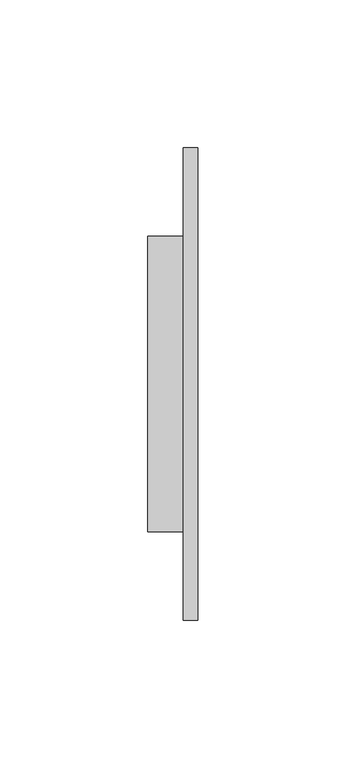
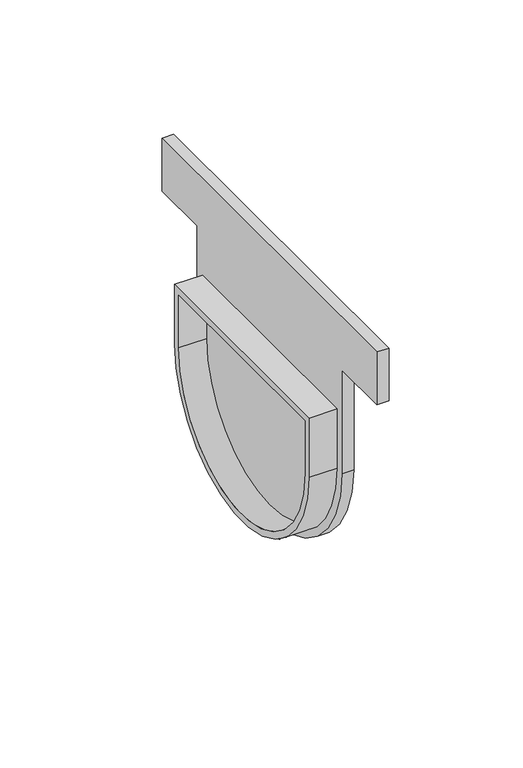
"""IFC4 building model written with IfcOpenShell, lengths in millimetres: proxy geometry."""

from ifc_helpers import new_model, si_unit, point, frame, frame_2d, origin, place, context, project, spatial, polyline, circle_curve, trimmed, segment, composite_curve, outline, extrude, source, transform, mapped, element, save


def generic_models_8998b26a(model_context):
    return source(origin(), model_context, "Body", "SweptSolid", [
        extrude(outline(composite_curve([segment(trimmed(circle_curve(frame_2d((0.0, -71.0)), 50.0), [point((50.0, -71.0))], [point((-50.0, -71.0))], False, "CARTESIAN"), True, "CONTINUOUS"), segment(polyline([(-50.0, -71.0), (-50.0, -44.0), (50.0, -44.0), (50.0, -71.0)]), True, "CONTINUOUS")], self_intersect=False), holes=[composite_curve([segment(polyline([(47.0, -71.0), (47.0, -47.0), (-47.0, -47.0), (-47.0, -71.0)]), True, "CONTINUOUS"), segment(trimmed(circle_curve(frame_2d((0.0, -71.0)), 47.0), [point((-47.0, -71.0))], [point((47.0, -71.0))], True, "CARTESIAN"), True, "CONTINUOUS")], self_intersect=False)]), frame((-12.0, 0.0, 0.0), z_axis=(1.0, 0.0, 0.0), x_axis=(0.0, 1.0, 0.0)), (0.0, 0.0, 1.0), 12.0),
        extrude(outline(composite_curve([segment(polyline([(79.9999982, 0.0), (79.9999982, -24.0), (53.9907399, -24.0), (53.9907399, -71.0)]), True, "CONTINUOUS"), segment(trimmed(circle_curve(frame_2d((0.0, -70.0)), 54.0), [point((53.9907399, -71.0))], [point((-53.9907399, -71.0))], False, "CARTESIAN"), True, "CONTINUOUS"), segment(polyline([(-53.9907399, -71.0), (-53.9907399, -24.0), (-79.9999982, -24.0), (-79.9999982, 0.0), (79.9999982, 0.0)]), True, "CONTINUOUS")], self_intersect=False)), frame((0.0, 0.0, 0.0), z_axis=(1.0, 0.0, 0.0), x_axis=(0.0, 1.0, 0.0)), (0.0, 0.0, 1.0), 5.0),
    ])


if __name__ == "__main__":
    model = new_model("IFC4")
    model_context = context("Model", 3, world=origin())
    ifc_project = project(units=[si_unit("LENGTHUNIT", "METRE", prefix="MILLI")], contexts=[model_context])
    site = spatial("IfcSite", under=ifc_project)
    building = spatial("IfcBuilding", under=site)
    placement = place(None, origin())
    generic_models_shape = generic_models_8998b26a(model_context)
    element("IfcBuildingElementProxy", 1, Name="Generic Models", at=placement, inside=building, context=model_context, shape_type="MappedRepresentation", body=[
        mapped(generic_models_shape, transform((0.0, 0.0, 0.0), x_axis=(1.0, 0.0, 0.0), y_axis=(0.0, 1.0, 0.0), z_axis=(0.0, 0.0, 1.0))),
    ])
    save(model, "model.ifc")
